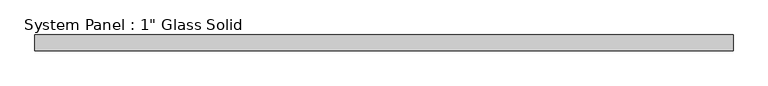
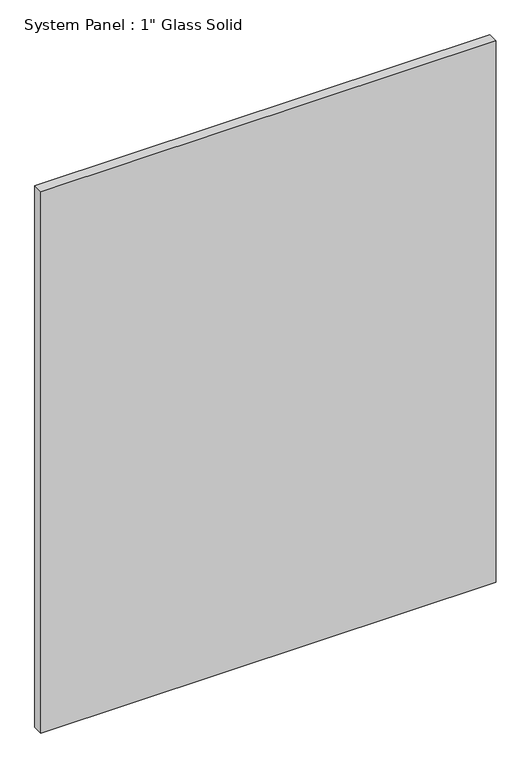
"""IFC4 building model written with IfcOpenShell, lengths in millimetres: plate geometry."""

from ifc_helpers import new_model, si_unit, origin, origin_with_axes, place, context, project, spatial, polyline, outline, extrude, source, transform, mapped, element, save


def plate_5a3b8f04(model_context):
    return source(origin(), model_context, "Body", "SweptSolid", [
        extrude(outline(polyline([(565.7305865, -12.7), (-565.7305865, -12.7), (-565.7305865, 12.7), (565.7305865, 12.7), (565.7305865, -12.7)])), origin_with_axes(), (0.0, 0.0, 1.0), 1422.2894027),
    ])


if __name__ == "__main__":
    model = new_model("IFC4")
    model_context = context("Model", 3, world=origin())
    ifc_project = project(units=[si_unit("LENGTHUNIT", "METRE", prefix="MILLI")], contexts=[model_context])
    site = spatial("IfcSite", under=ifc_project)
    building = spatial("IfcBuilding", under=site)
    placement = place(None, origin())
    plate_shape = plate_5a3b8f04(model_context)
    element("IfcPlate", 1, ObjectType="System Panel : 1\" Glass Solid", at=placement, inside=building, context=model_context, shape_type="MappedRepresentation", body=[
        mapped(plate_shape, transform((0.0, 0.0, 0.0), x_axis=(1.0, 0.0, 0.0), y_axis=(0.0, 1.0, 0.0), z_axis=(0.0, 0.0, 1.0))),
    ])
    save(model, "model.ifc")
